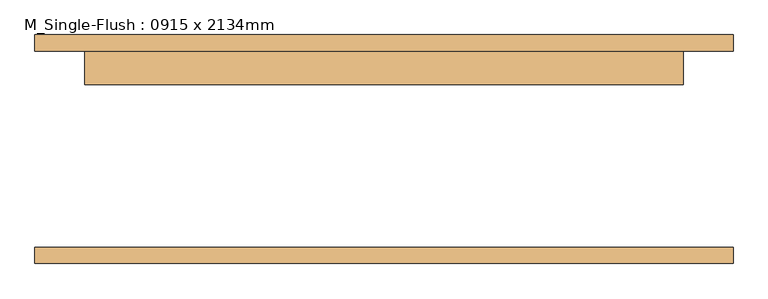
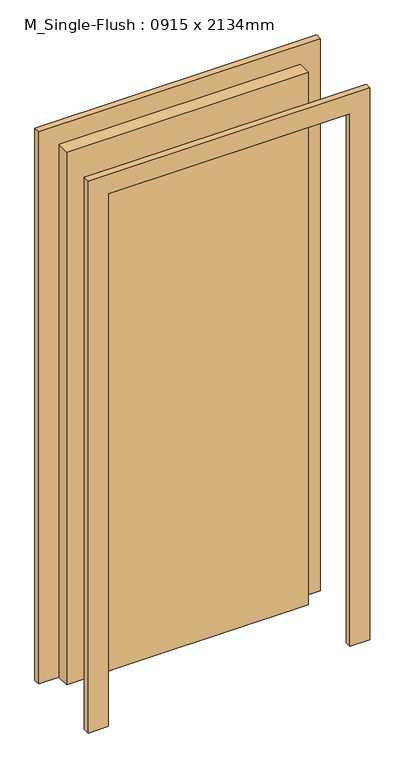
"""IFC4 building model written with IfcOpenShell, lengths in millimetres: door geometry, M_Single-Flush : 0915 x 2134mm."""

from ifc_helpers import new_model, si_unit, frame, origin, origin_with_axes, place, context, project, spatial, polyline, outline, extrude, source, transform, mapped, element, save


def m_single_flush_0915_x_2134mm_9cebaac8(model_context):
    return source(origin(), model_context, "Body", "SweptSolid", [
        extrude(outline(polyline([(2210.0, -533.5), (0.0, -533.5), (0.0, -457.5), (2134.0, -457.5), (2134.0, 457.5), (0.0, 457.5), (0.0, 533.5), (2210.0, 533.5), (2210.0, -533.5)])), frame((0.0, 150.0, 0.0), z_axis=(0.0, 1.0, 0.0), x_axis=(0.0, 0.0, 1.0)), (0.0, 0.0, 1.0), 25.0),
        extrude(outline(polyline([(2210.0, 533.5), (2210.0, -533.5), (0.0, -533.5), (0.0, -457.5), (2134.0, -457.5), (2134.0, 457.5), (0.0, 457.5), (0.0, 533.5), (2210.0, 533.5)])), frame((0.0, -175.0, 0.0), z_axis=(0.0, 1.0, 0.0), x_axis=(0.0, 0.0, 1.0)), (0.0, 0.0, 1.0), 25.0),
        extrude(outline(polyline([(457.5, 99.0), (-457.5, 99.0), (-457.5, 150.0), (457.5, 150.0), (457.5, 99.0)])), origin_with_axes(), (0.0, 0.0, 1.0), 2134.0),
    ])


if __name__ == "__main__":
    model = new_model("IFC4")
    model_context = context("Model", 3, world=origin())
    ifc_project = project(units=[si_unit("LENGTHUNIT", "METRE", prefix="MILLI")], contexts=[model_context])
    site = spatial("IfcSite", under=ifc_project)
    building = spatial("IfcBuilding", under=site)
    placement = place(None, origin())
    m_single_flush_0915_x_2134mm_shape = m_single_flush_0915_x_2134mm_9cebaac8(model_context)
    element("IfcDoor", 1, ObjectType="M_Single-Flush : 0915 x 2134mm", at=placement, inside=building, context=model_context, shape_type="MappedRepresentation", body=[
        mapped(m_single_flush_0915_x_2134mm_shape, transform((0.0, 0.0, 0.0), x_axis=(1.0, 0.0, 0.0), y_axis=(0.0, 1.0, 0.0), z_axis=(0.0, 0.0, 1.0))),
    ])
    save(model, "model.ifc")
